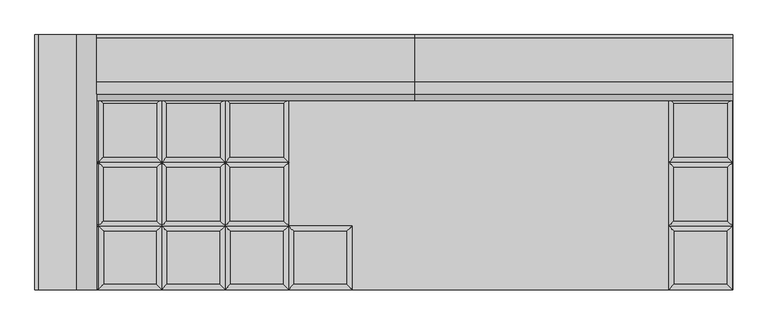
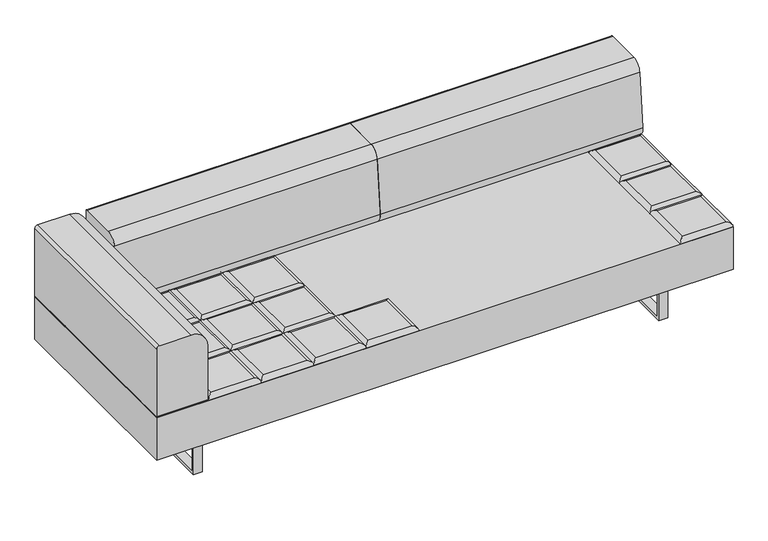
"""IFC4 building model written with IfcOpenShell, lengths in millimetres: furniture geometry."""

from ifc_helpers import new_model, si_unit, point, frame, frame_2d, origin, place, context, project, spatial, polyline, circle_curve, ellipse_curve, trimmed, segment, composite_curve, outline, extrude, source, transform, mapped, element, save
from ifc_brep_helpers import plane_surface, cylinder_surface, advanced_brep


def furniture_67f682a6(model_context):
    return source(origin(), model_context, "Body", "SolidModel", [
        advanced_brep(
        [(-109.855, -222.25, 393.7), (-127.8155122, -240.2105122, 411.6605122), (-127.8155122, -426.5394878, 411.6605122), (-109.855, -444.5, 393.7), (-314.1444878, -426.5394878, 411.6605122), (-332.105, -444.5, 393.7), (-314.1444878, -240.2105122, 411.6605122), (-332.105, -222.25, 393.7)],
        [
            (0, 1, ellipse_curve(frame((-127.8155122, -240.2105122, 393.7), z_axis=(0.7071067811865475, -0.7071067811865475, 0.0), x_axis=(0.7071067811865474, 0.7071067811865476, 0.0)), 25.4, 17.9605122)),
            (1, 2),
            (2, 3, ellipse_curve(frame((-127.8155122, -426.5394878, 393.7), z_axis=(0.7071067811865475, 0.7071067811865475, 0.0), x_axis=(-0.7071067811865474, 0.7071067811865476, 0.0)), 25.4, 17.9605122)),
            (3, 0),
            (2, 4),
            (4, 5, ellipse_curve(frame((-314.1444878, -426.5394878, 393.7), z_axis=(0.7071067811865475, -0.7071067811865475, 0.0), x_axis=(0.7071067811865476, 0.7071067811865474, 0.0)), 25.4, 17.9605122)),
            (5, 3),
            (4, 6),
            (6, 7, ellipse_curve(frame((-314.1444878, -240.2105122, 393.7), z_axis=(-0.7071067811865475, -0.7071067811865475, 0.0), x_axis=(0.7071067811865474, -0.7071067811865476, 0.0)), 25.4, 17.9605122)),
            (7, 5),
            (0, 7),
            (6, 1),
        ],
        [
            cylinder_surface(frame((-127.8155122, -222.25, 393.7), z_axis=(0.0, 1.0, 0.0), x_axis=(1.0, 0.0, 0.0)), 17.9605122),
            cylinder_surface(frame((-109.855, -426.5394878, 393.7), z_axis=(1.0, 0.0, 0.0), x_axis=(0.0, -1.0, 0.0)), 17.9605122),
            cylinder_surface(frame((-314.1444878, -444.5, 393.7), z_axis=(0.0, -1.0, 0.0), x_axis=(-1.0, 0.0, 0.0)), 17.9605122),
            cylinder_surface(frame((-332.105, -240.2105122, 393.7), z_axis=(-1.0, 0.0, 0.0), x_axis=(0.0, 1.0, 0.0)), 17.9605122),
            plane_surface(frame((-332.105, -222.25, 393.7), z_axis=(0.0, 0.0, -1.0), x_axis=(1.0, 0.0, 0.0))),
            plane_surface(frame((-314.1444878, -240.2105122, 411.6605122), z_axis=(0.0, 0.0, 1.0), x_axis=(-1.0, 0.0, 0.0))),
        ],
        [
            (0, [[1, 2, 3, 4]]),
            (1, [[-3, 5, 6, 7]]),
            (2, [[-6, 8, 9, 10]]),
            (3, [[-1, 11, -9, 12]]),
            (4, [[-4, -7, -10, -11]]),
            (5, [[-2, -12, -8, -5]]),
        ],
    ),
        advanced_brep(
        [(-348.7955122, -204.2894878, 411.6605122), (-348.7955122, -17.9605122, 411.6605122), (-535.1244878, -17.9605122, 411.6605122), (-535.1244878, -204.2894878, 411.6605122), (-330.835, 0.0, 393.7), (-330.835, -222.25, 393.7), (-553.085, -222.25, 393.7), (-553.085, 0.0, 393.7)],
        [
            (0, 1),
            (1, 2),
            (2, 3),
            (3, 0),
            (4, 5),
            (5, 6),
            (6, 7),
            (7, 4),
            (4, 1, ellipse_curve(frame((-348.7955122, -17.9605122, 393.7), z_axis=(0.7071067811865475, -0.7071067811865475, 0.0), x_axis=(0.7071067811865474, 0.7071067811865476, 0.0)), 25.4, 17.9605122)),
            (0, 5, ellipse_curve(frame((-348.7955122, -204.2894878, 393.7), z_axis=(0.7071067811865475, 0.7071067811865475, 0.0), x_axis=(-0.7071067811865474, 0.7071067811865476, 0.0)), 25.4, 17.9605122)),
            (3, 6, ellipse_curve(frame((-535.1244878, -204.2894878, 393.7), z_axis=(0.7071067811865475, -0.7071067811865475, 0.0), x_axis=(0.7071067811865476, 0.7071067811865474, 0.0)), 25.4, 17.9605122)),
            (2, 7, ellipse_curve(frame((-535.1244878, -17.9605122, 393.7), z_axis=(-0.7071067811865475, -0.7071067811865475, 0.0), x_axis=(0.7071067811865474, -0.7071067811865476, 0.0)), 25.4, 17.9605122)),
        ],
        [
            plane_surface(frame((-535.1244878, -17.9605122, 411.6605122), z_axis=(0.0, 0.0, 1.0), x_axis=(-1.0, 0.0, 0.0))),
            plane_surface(frame((-535.1244878, -17.9605122, 393.7), z_axis=(0.0, 0.0, -1.0), x_axis=(1.0, 0.0, 0.0))),
            cylinder_surface(frame((-348.7955122, 0.0, 393.7), z_axis=(0.0, 1.0, 0.0), x_axis=(1.0, 0.0, 0.0)), 17.9605122),
            cylinder_surface(frame((-330.835, -204.2894878, 393.7), z_axis=(1.0, 0.0, 0.0), x_axis=(0.0, -1.0, 0.0)), 17.9605122),
            cylinder_surface(frame((-535.1244878, -222.25, 393.7), z_axis=(0.0, -1.0, 0.0), x_axis=(-1.0, 0.0, 0.0)), 17.9605122),
            cylinder_surface(frame((-553.085, -17.9605122, 393.7), z_axis=(-1.0, 0.0, 0.0), x_axis=(0.0, 1.0, 0.0)), 17.9605122),
        ],
        [
            (0, [[1, 2, 3, 4]]),
            (1, [[5, 6, 7, 8]]),
            (2, [[9, -1, 10, -5]]),
            (3, [[-10, -4, 11, -6]]),
            (4, [[-11, -3, 12, -7]]),
            (5, [[-9, -8, -12, -2]]),
        ],
    ),
        advanced_brep(
        [(-348.7955122, 17.9605122, 411.6605122), (-348.7955122, 204.2894878, 411.6605122), (-535.1244878, 204.2894878, 411.6605122), (-535.1244878, 17.9605122, 411.6605122), (-330.835, 222.25, 393.7), (-330.835, 0.0, 393.7), (-553.085, 0.0, 393.7), (-553.085, 222.25, 393.7)],
        [
            (0, 1),
            (1, 2),
            (2, 3),
            (3, 0),
            (4, 5),
            (5, 6),
            (6, 7),
            (7, 4),
            (4, 1, ellipse_curve(frame((-348.7955122, 204.2894878, 393.7), z_axis=(0.7071067811865475, -0.7071067811865475, 0.0), x_axis=(0.7071067811865474, 0.7071067811865476, 0.0)), 25.4, 17.9605122)),
            (0, 5, ellipse_curve(frame((-348.7955122, 17.9605122, 393.7), z_axis=(0.7071067811865475, 0.7071067811865475, 0.0), x_axis=(-0.7071067811865474, 0.7071067811865476, 0.0)), 25.4, 17.9605122)),
            (3, 6, ellipse_curve(frame((-535.1244878, 17.9605122, 393.7), z_axis=(0.7071067811865475, -0.7071067811865475, 0.0), x_axis=(0.7071067811865476, 0.7071067811865474, 0.0)), 25.4, 17.9605122)),
            (2, 7, ellipse_curve(frame((-535.1244878, 204.2894878, 393.7), z_axis=(-0.7071067811865475, -0.7071067811865475, 0.0), x_axis=(0.7071067811865474, -0.7071067811865476, 0.0)), 25.4, 17.9605122)),
        ],
        [
            plane_surface(frame((-535.1244878, 204.2894878, 411.6605122), z_axis=(0.0, 0.0, 1.0), x_axis=(-1.0, 0.0, 0.0))),
            plane_surface(frame((-535.1244878, 204.2894878, 393.7), z_axis=(0.0, 0.0, -1.0), x_axis=(1.0, 0.0, 0.0))),
            cylinder_surface(frame((-348.7955122, 222.25, 393.7), z_axis=(0.0, 1.0, 0.0), x_axis=(1.0, 0.0, 0.0)), 17.9605122),
            cylinder_surface(frame((-330.835, 17.9605122, 393.7), z_axis=(1.0, 0.0, 0.0), x_axis=(0.0, -1.0, 0.0)), 17.9605122),
            cylinder_surface(frame((-535.1244878, 0.0, 393.7), z_axis=(0.0, -1.0, 0.0), x_axis=(-1.0, 0.0, 0.0)), 17.9605122),
            cylinder_surface(frame((-553.085, 204.2894878, 393.7), z_axis=(-1.0, 0.0, 0.0), x_axis=(0.0, 1.0, 0.0)), 17.9605122),
        ],
        [
            (0, [[1, 2, 3, 4]]),
            (1, [[5, 6, 7, 8]]),
            (2, [[9, -1, 10, -5]]),
            (3, [[-10, -4, 11, -6]]),
            (4, [[-11, -3, 12, -7]]),
            (5, [[-9, -8, -12, -2]]),
        ],
    ),
        advanced_brep(
        [(-348.7955122, 240.2105122, 411.6605122), (-348.7955122, 426.5394878, 411.6605122), (-535.1244878, 426.5394878, 411.6605122), (-535.1244878, 240.2105122, 411.6605122), (-330.835, 444.5, 393.7), (-330.835, 222.25, 393.7), (-553.085, 222.25, 393.7), (-553.085, 444.5, 393.7)],
        [
            (0, 1),
            (1, 2),
            (2, 3),
            (3, 0),
            (4, 5),
            (5, 6),
            (6, 7),
            (7, 4),
            (4, 1, ellipse_curve(frame((-348.7955122, 426.5394878, 393.7), z_axis=(0.7071067811865475, -0.7071067811865475, 0.0), x_axis=(0.7071067811865474, 0.7071067811865476, 0.0)), 25.4, 17.9605122)),
            (0, 5, ellipse_curve(frame((-348.7955122, 240.2105122, 393.7), z_axis=(0.7071067811865475, 0.7071067811865475, 0.0), x_axis=(-0.7071067811865474, 0.7071067811865476, 0.0)), 25.4, 17.9605122)),
            (3, 6, ellipse_curve(frame((-535.1244878, 240.2105122, 393.7), z_axis=(0.7071067811865475, -0.7071067811865475, 0.0), x_axis=(0.7071067811865476, 0.7071067811865474, 0.0)), 25.4, 17.9605122)),
            (2, 7, ellipse_curve(frame((-535.1244878, 426.5394878, 393.7), z_axis=(-0.7071067811865475, -0.7071067811865475, 0.0), x_axis=(0.7071067811865474, -0.7071067811865476, 0.0)), 25.4, 17.9605122)),
        ],
        [
            plane_surface(frame((-535.1244878, 426.5394878, 411.6605122), z_axis=(0.0, 0.0, 1.0), x_axis=(-1.0, 0.0, 0.0))),
            plane_surface(frame((-535.1244878, 426.5394878, 393.7), z_axis=(0.0, 0.0, -1.0), x_axis=(1.0, 0.0, 0.0))),
            cylinder_surface(frame((-348.7955122, 444.5, 393.7), z_axis=(0.0, 1.0, 0.0), x_axis=(1.0, 0.0, 0.0)), 17.9605122),
            cylinder_surface(frame((-330.835, 240.2105122, 393.7), z_axis=(1.0, 0.0, 0.0), x_axis=(0.0, -1.0, 0.0)), 17.9605122),
            cylinder_surface(frame((-535.1244878, 222.25, 393.7), z_axis=(0.0, -1.0, 0.0), x_axis=(-1.0, 0.0, 0.0)), 17.9605122),
            cylinder_surface(frame((-553.085, 426.5394878, 393.7), z_axis=(-1.0, 0.0, 0.0), x_axis=(0.0, 1.0, 0.0)), 17.9605122),
        ],
        [
            (0, [[1, 2, 3, 4]]),
            (1, [[5, 6, 7, 8]]),
            (2, [[9, -1, 10, -5]]),
            (3, [[-10, -4, 11, -6]]),
            (4, [[-11, -3, 12, -7]]),
            (5, [[-9, -8, -12, -2]]),
        ],
    ),
        advanced_brep(
        [(-330.835, -222.25, 393.7), (-348.7955122, -240.2105122, 411.6605122), (-348.7955122, -426.5394878, 411.6605122), (-330.835, -444.5, 393.7), (-535.1244878, -426.5394878, 411.6605122), (-553.085, -444.5, 393.7), (-535.1244878, -240.2105122, 411.6605122), (-553.085, -222.25, 393.7)],
        [
            (0, 1, ellipse_curve(frame((-348.7955122, -240.2105122, 393.7), z_axis=(0.7071067811865475, -0.7071067811865475, 0.0), x_axis=(0.7071067811865474, 0.7071067811865476, 0.0)), 25.4, 17.9605122)),
            (1, 2),
            (2, 3, ellipse_curve(frame((-348.7955122, -426.5394878, 393.7), z_axis=(0.7071067811865475, 0.7071067811865475, 0.0), x_axis=(-0.7071067811865474, 0.7071067811865476, 0.0)), 25.4, 17.9605122)),
            (3, 0),
            (2, 4),
            (4, 5, ellipse_curve(frame((-535.1244878, -426.5394878, 393.7), z_axis=(0.7071067811865475, -0.7071067811865475, 0.0), x_axis=(0.7071067811865476, 0.7071067811865474, 0.0)), 25.4, 17.9605122)),
            (5, 3),
            (4, 6),
            (6, 7, ellipse_curve(frame((-535.1244878, -240.2105122, 393.7), z_axis=(-0.7071067811865475, -0.7071067811865475, 0.0), x_axis=(0.7071067811865474, -0.7071067811865476, 0.0)), 25.4, 17.9605122)),
            (7, 5),
            (0, 7),
            (6, 1),
        ],
        [
            cylinder_surface(frame((-348.7955122, -222.25, 393.7), z_axis=(0.0, 1.0, 0.0), x_axis=(1.0, 0.0, 0.0)), 17.9605122),
            cylinder_surface(frame((-330.835, -426.5394878, 393.7), z_axis=(1.0, 0.0, 0.0), x_axis=(0.0, -1.0, 0.0)), 17.9605122),
            cylinder_surface(frame((-535.1244878, -444.5, 393.7), z_axis=(0.0, -1.0, 0.0), x_axis=(-1.0, 0.0, 0.0)), 17.9605122),
            cylinder_surface(frame((-553.085, -240.2105122, 393.7), z_axis=(-1.0, 0.0, 0.0), x_axis=(0.0, 1.0, 0.0)), 17.9605122),
            plane_surface(frame((-553.085, -222.25, 393.7), z_axis=(0.0, 0.0, -1.0), x_axis=(1.0, 0.0, 0.0))),
            plane_surface(frame((-535.1244878, -240.2105122, 411.6605122), z_axis=(0.0, 0.0, 1.0), x_axis=(-1.0, 0.0, 0.0))),
        ],
        [
            (0, [[1, 2, 3, 4]]),
            (1, [[-3, 5, 6, 7]]),
            (2, [[-6, 8, 9, 10]]),
            (3, [[-1, 11, -9, 12]]),
            (4, [[-4, -7, -10, -11]]),
            (5, [[-2, -12, -8, -5]]),
        ],
    ),
        advanced_brep(
        [(-569.7755122, -204.2894878, 411.6605122), (-569.7755122, -17.9605122, 411.6605122), (-756.1044878, -17.9605122, 411.6605122), (-756.1044878, -204.2894878, 411.6605122), (-551.815, 0.0, 393.7), (-551.815, -222.25, 393.7), (-774.065, -222.25, 393.7), (-774.065, 0.0, 393.7)],
        [
            (0, 1),
            (1, 2),
            (2, 3),
            (3, 0),
            (4, 5),
            (5, 6),
            (6, 7),
            (7, 4),
            (4, 1, ellipse_curve(frame((-569.7755122, -17.9605122, 393.7), z_axis=(0.7071067811865475, -0.7071067811865475, 0.0), x_axis=(0.7071067811865474, 0.7071067811865476, 0.0)), 25.4, 17.9605122)),
            (0, 5, ellipse_curve(frame((-569.7755122, -204.2894878, 393.7), z_axis=(0.7071067811865475, 0.7071067811865475, 0.0), x_axis=(-0.7071067811865474, 0.7071067811865476, 0.0)), 25.4, 17.9605122)),
            (3, 6, ellipse_curve(frame((-756.1044878, -204.2894878, 393.7), z_axis=(0.7071067811865475, -0.7071067811865475, 0.0), x_axis=(0.7071067811865476, 0.7071067811865474, 0.0)), 25.4, 17.9605122)),
            (2, 7, ellipse_curve(frame((-756.1044878, -17.9605122, 393.7), z_axis=(-0.7071067811865475, -0.7071067811865475, 0.0), x_axis=(0.7071067811865474, -0.7071067811865476, 0.0)), 25.4, 17.9605122)),
        ],
        [
            plane_surface(frame((-756.1044878, -17.9605122, 411.6605122), z_axis=(0.0, 0.0, 1.0), x_axis=(-1.0, 0.0, 0.0))),
            plane_surface(frame((-756.1044878, -17.9605122, 393.7), z_axis=(0.0, 0.0, -1.0), x_axis=(1.0, 0.0, 0.0))),
            cylinder_surface(frame((-569.7755122, 0.0, 393.7), z_axis=(0.0, 1.0, 0.0), x_axis=(1.0, 0.0, 0.0)), 17.9605122),
            cylinder_surface(frame((-551.815, -204.2894878, 393.7), z_axis=(1.0, 0.0, 0.0), x_axis=(0.0, -1.0, 0.0)), 17.9605122),
            cylinder_surface(frame((-756.1044878, -222.25, 393.7), z_axis=(0.0, -1.0, 0.0), x_axis=(-1.0, 0.0, 0.0)), 17.9605122),
            cylinder_surface(frame((-774.065, -17.9605122, 393.7), z_axis=(-1.0, 0.0, 0.0), x_axis=(0.0, 1.0, 0.0)), 17.9605122),
        ],
        [
            (0, [[1, 2, 3, 4]]),
            (1, [[5, 6, 7, 8]]),
            (2, [[9, -1, 10, -5]]),
            (3, [[-10, -4, 11, -6]]),
            (4, [[-11, -3, 12, -7]]),
            (5, [[-9, -8, -12, -2]]),
        ],
    ),
        advanced_brep(
        [(-569.7755122, 17.9605122, 411.6605122), (-569.7755122, 204.2894878, 411.6605122), (-756.1044878, 204.2894878, 411.6605122), (-756.1044878, 17.9605122, 411.6605122), (-551.815, 222.25, 393.7), (-551.815, 0.0, 393.7), (-774.065, 0.0, 393.7), (-774.065, 222.25, 393.7)],
        [
            (0, 1),
            (1, 2),
            (2, 3),
            (3, 0),
            (4, 5),
            (5, 6),
            (6, 7),
            (7, 4),
            (4, 1, ellipse_curve(frame((-569.7755122, 204.2894878, 393.7), z_axis=(0.7071067811865475, -0.7071067811865475, 0.0), x_axis=(0.7071067811865474, 0.7071067811865476, 0.0)), 25.4, 17.9605122)),
            (0, 5, ellipse_curve(frame((-569.7755122, 17.9605122, 393.7), z_axis=(0.7071067811865475, 0.7071067811865475, 0.0), x_axis=(-0.7071067811865474, 0.7071067811865476, 0.0)), 25.4, 17.9605122)),
            (3, 6, ellipse_curve(frame((-756.1044878, 17.9605122, 393.7), z_axis=(0.7071067811865475, -0.7071067811865475, 0.0), x_axis=(0.7071067811865476, 0.7071067811865474, 0.0)), 25.4, 17.9605122)),
            (2, 7, ellipse_curve(frame((-756.1044878, 204.2894878, 393.7), z_axis=(-0.7071067811865475, -0.7071067811865475, 0.0), x_axis=(0.7071067811865474, -0.7071067811865476, 0.0)), 25.4, 17.9605122)),
        ],
        [
            plane_surface(frame((-756.1044878, 204.2894878, 411.6605122), z_axis=(0.0, 0.0, 1.0), x_axis=(-1.0, 0.0, 0.0))),
            plane_surface(frame((-756.1044878, 204.2894878, 393.7), z_axis=(0.0, 0.0, -1.0), x_axis=(1.0, 0.0, 0.0))),
            cylinder_surface(frame((-569.7755122, 222.25, 393.7), z_axis=(0.0, 1.0, 0.0), x_axis=(1.0, 0.0, 0.0)), 17.9605122),
            cylinder_surface(frame((-551.815, 17.9605122, 393.7), z_axis=(1.0, 0.0, 0.0), x_axis=(0.0, -1.0, 0.0)), 17.9605122),
            cylinder_surface(frame((-756.1044878, 0.0, 393.7), z_axis=(0.0, -1.0, 0.0), x_axis=(-1.0, 0.0, 0.0)), 17.9605122),
            cylinder_surface(frame((-774.065, 204.2894878, 393.7), z_axis=(-1.0, 0.0, 0.0), x_axis=(0.0, 1.0, 0.0)), 17.9605122),
        ],
        [
            (0, [[1, 2, 3, 4]]),
            (1, [[5, 6, 7, 8]]),
            (2, [[9, -1, 10, -5]]),
            (3, [[-10, -4, 11, -6]]),
            (4, [[-11, -3, 12, -7]]),
            (5, [[-9, -8, -12, -2]]),
        ],
    ),
        advanced_brep(
        [(-569.7755122, 240.2105122, 411.6605122), (-569.7755122, 426.5394878, 411.6605122), (-756.1044878, 426.5394878, 411.6605122), (-756.1044878, 240.2105122, 411.6605122), (-551.815, 444.5, 393.7), (-551.815, 222.25, 393.7), (-774.065, 222.25, 393.7), (-774.065, 444.5, 393.7)],
        [
            (0, 1),
            (1, 2),
            (2, 3),
            (3, 0),
            (4, 5),
            (5, 6),
            (6, 7),
            (7, 4),
            (4, 1, ellipse_curve(frame((-569.7755122, 426.5394878, 393.7), z_axis=(0.7071067811865475, -0.7071067811865475, 0.0), x_axis=(0.7071067811865474, 0.7071067811865476, 0.0)), 25.4, 17.9605122)),
            (0, 5, ellipse_curve(frame((-569.7755122, 240.2105122, 393.7), z_axis=(0.7071067811865475, 0.7071067811865475, 0.0), x_axis=(-0.7071067811865474, 0.7071067811865476, 0.0)), 25.4, 17.9605122)),
            (3, 6, ellipse_curve(frame((-756.1044878, 240.2105122, 393.7), z_axis=(0.7071067811865475, -0.7071067811865475, 0.0), x_axis=(0.7071067811865476, 0.7071067811865474, 0.0)), 25.4, 17.9605122)),
            (2, 7, ellipse_curve(frame((-756.1044878, 426.5394878, 393.7), z_axis=(-0.7071067811865475, -0.7071067811865475, 0.0), x_axis=(0.7071067811865474, -0.7071067811865476, 0.0)), 25.4, 17.9605122)),
        ],
        [
            plane_surface(frame((-756.1044878, 426.5394878, 411.6605122), z_axis=(0.0, 0.0, 1.0), x_axis=(-1.0, 0.0, 0.0))),
            plane_surface(frame((-756.1044878, 426.5394878, 393.7), z_axis=(0.0, 0.0, -1.0), x_axis=(1.0, 0.0, 0.0))),
            cylinder_surface(frame((-569.7755122, 444.5, 393.7), z_axis=(0.0, 1.0, 0.0), x_axis=(1.0, 0.0, 0.0)), 17.9605122),
            cylinder_surface(frame((-551.815, 240.2105122, 393.7), z_axis=(1.0, 0.0, 0.0), x_axis=(0.0, -1.0, 0.0)), 17.9605122),
            cylinder_surface(frame((-756.1044878, 222.25, 393.7), z_axis=(0.0, -1.0, 0.0), x_axis=(-1.0, 0.0, 0.0)), 17.9605122),
            cylinder_surface(frame((-774.065, 426.5394878, 393.7), z_axis=(-1.0, 0.0, 0.0), x_axis=(0.0, 1.0, 0.0)), 17.9605122),
        ],
        [
            (0, [[1, 2, 3, 4]]),
            (1, [[5, 6, 7, 8]]),
            (2, [[9, -1, 10, -5]]),
            (3, [[-10, -4, 11, -6]]),
            (4, [[-11, -3, 12, -7]]),
            (5, [[-9, -8, -12, -2]]),
        ],
    ),
        advanced_brep(
        [(-551.815, -222.25, 393.7), (-569.7755122, -240.2105122, 411.6605122), (-569.7755122, -426.5394878, 411.6605122), (-551.815, -444.5, 393.7), (-756.1044878, -426.5394878, 411.6605122), (-774.065, -444.5, 393.7), (-756.1044878, -240.2105122, 411.6605122), (-774.065, -222.25, 393.7)],
        [
            (0, 1, ellipse_curve(frame((-569.7755122, -240.2105122, 393.7), z_axis=(0.7071067811865475, -0.7071067811865475, 0.0), x_axis=(0.7071067811865474, 0.7071067811865476, 0.0)), 25.4, 17.9605122)),
            (1, 2),
            (2, 3, ellipse_curve(frame((-569.7755122, -426.5394878, 393.7), z_axis=(0.7071067811865475, 0.7071067811865475, 0.0), x_axis=(-0.7071067811865474, 0.7071067811865476, 0.0)), 25.4, 17.9605122)),
            (3, 0),
            (2, 4),
            (4, 5, ellipse_curve(frame((-756.1044878, -426.5394878, 393.7), z_axis=(0.7071067811865475, -0.7071067811865475, 0.0), x_axis=(0.7071067811865476, 0.7071067811865474, 0.0)), 25.4, 17.9605122)),
            (5, 3),
            (4, 6),
            (6, 7, ellipse_curve(frame((-756.1044878, -240.2105122, 393.7), z_axis=(-0.7071067811865475, -0.7071067811865475, 0.0), x_axis=(0.7071067811865474, -0.7071067811865476, 0.0)), 25.4, 17.9605122)),
            (7, 5),
            (0, 7),
            (6, 1),
        ],
        [
            cylinder_surface(frame((-569.7755122, -222.25, 393.7), z_axis=(0.0, 1.0, 0.0), x_axis=(1.0, 0.0, 0.0)), 17.9605122),
            cylinder_surface(frame((-551.815, -426.5394878, 393.7), z_axis=(1.0, 0.0, 0.0), x_axis=(0.0, -1.0, 0.0)), 17.9605122),
            cylinder_surface(frame((-756.1044878, -444.5, 393.7), z_axis=(0.0, -1.0, 0.0), x_axis=(-1.0, 0.0, 0.0)), 17.9605122),
            cylinder_surface(frame((-774.065, -240.2105122, 393.7), z_axis=(-1.0, 0.0, 0.0), x_axis=(0.0, 1.0, 0.0)), 17.9605122),
            plane_surface(frame((-774.065, -222.25, 393.7), z_axis=(0.0, 0.0, -1.0), x_axis=(1.0, 0.0, 0.0))),
            plane_surface(frame((-756.1044878, -240.2105122, 411.6605122), z_axis=(0.0, 0.0, 1.0), x_axis=(-1.0, 0.0, 0.0))),
        ],
        [
            (0, [[1, 2, 3, 4]]),
            (1, [[-3, 5, 6, 7]]),
            (2, [[-6, 8, 9, 10]]),
            (3, [[-1, 11, -9, 12]]),
            (4, [[-4, -7, -10, -11]]),
            (5, [[-2, -12, -8, -5]]),
        ],
    ),
        advanced_brep(
        [(-790.7555122, -204.2894878, 411.6605122), (-790.7555122, -17.9605122, 411.6605122), (-977.0844878, -17.9605122, 411.6605122), (-977.0844878, -204.2894878, 411.6605122), (-772.795, 0.0, 393.7), (-772.795, -222.25, 393.7), (-995.045, -222.25, 393.7), (-995.045, 0.0, 393.7)],
        [
            (0, 1),
            (1, 2),
            (2, 3),
            (3, 0),
            (4, 5),
            (5, 6),
            (6, 7),
            (7, 4),
            (4, 1, ellipse_curve(frame((-790.7555122, -17.9605122, 393.7), z_axis=(0.7071067811865475, -0.7071067811865475, 0.0), x_axis=(0.7071067811865474, 0.7071067811865476, 0.0)), 25.4, 17.9605122)),
            (0, 5, ellipse_curve(frame((-790.7555122, -204.2894878, 393.7), z_axis=(0.7071067811865475, 0.7071067811865475, 0.0), x_axis=(-0.7071067811865474, 0.7071067811865476, 0.0)), 25.4, 17.9605122)),
            (3, 6, ellipse_curve(frame((-977.0844878, -204.2894878, 393.7), z_axis=(0.7071067811865475, -0.7071067811865475, 0.0), x_axis=(0.7071067811865476, 0.7071067811865474, 0.0)), 25.4, 17.9605122)),
            (2, 7, ellipse_curve(frame((-977.0844878, -17.9605122, 393.7), z_axis=(-0.7071067811865475, -0.7071067811865475, 0.0), x_axis=(0.7071067811865474, -0.7071067811865476, 0.0)), 25.4, 17.9605122)),
        ],
        [
            plane_surface(frame((-977.0844878, -17.9605122, 411.6605122), z_axis=(0.0, 0.0, 1.0), x_axis=(-1.0, 0.0, 0.0))),
            plane_surface(frame((-977.0844878, -17.9605122, 393.7), z_axis=(0.0, 0.0, -1.0), x_axis=(1.0, 0.0, 0.0))),
            cylinder_surface(frame((-790.7555122, 0.0, 393.7), z_axis=(0.0, 1.0, 0.0), x_axis=(1.0, 0.0, 0.0)), 17.9605122),
            cylinder_surface(frame((-772.795, -204.2894878, 393.7), z_axis=(1.0, 0.0, 0.0), x_axis=(0.0, -1.0, 0.0)), 17.9605122),
            cylinder_surface(frame((-977.0844878, -222.25, 393.7), z_axis=(0.0, -1.0, 0.0), x_axis=(-1.0, 0.0, 0.0)), 17.9605122),
            cylinder_surface(frame((-995.045, -17.9605122, 393.7), z_axis=(-1.0, 0.0, 0.0), x_axis=(0.0, 1.0, 0.0)), 17.9605122),
        ],
        [
            (0, [[1, 2, 3, 4]]),
            (1, [[5, 6, 7, 8]]),
            (2, [[9, -1, 10, -5]]),
            (3, [[-10, -4, 11, -6]]),
            (4, [[-11, -3, 12, -7]]),
            (5, [[-9, -8, -12, -2]]),
        ],
    ),
        advanced_brep(
        [(-790.7555122, 17.9605122, 411.6605122), (-790.7555122, 204.2894878, 411.6605122), (-977.0844878, 204.2894878, 411.6605122), (-977.0844878, 17.9605122, 411.6605122), (-772.795, 222.25, 393.7), (-772.795, 0.0, 393.7), (-995.045, 0.0, 393.7), (-995.045, 222.25, 393.7)],
        [
            (0, 1),
            (1, 2),
            (2, 3),
            (3, 0),
            (4, 5),
            (5, 6),
            (6, 7),
            (7, 4),
            (4, 1, ellipse_curve(frame((-790.7555122, 204.2894878, 393.7), z_axis=(0.7071067811865475, -0.7071067811865475, 0.0), x_axis=(0.7071067811865474, 0.7071067811865476, 0.0)), 25.4, 17.9605122)),
            (0, 5, ellipse_curve(frame((-790.7555122, 17.9605122, 393.7), z_axis=(0.7071067811865475, 0.7071067811865475, 0.0), x_axis=(-0.7071067811865474, 0.7071067811865476, 0.0)), 25.4, 17.9605122)),
            (3, 6, ellipse_curve(frame((-977.0844878, 17.9605122, 393.7), z_axis=(0.7071067811865475, -0.7071067811865475, 0.0), x_axis=(0.7071067811865476, 0.7071067811865474, 0.0)), 25.4, 17.9605122)),
            (2, 7, ellipse_curve(frame((-977.0844878, 204.2894878, 393.7), z_axis=(-0.7071067811865475, -0.7071067811865475, 0.0), x_axis=(0.7071067811865474, -0.7071067811865476, 0.0)), 25.4, 17.9605122)),
        ],
        [
            plane_surface(frame((-977.0844878, 204.2894878, 411.6605122), z_axis=(0.0, 0.0, 1.0), x_axis=(-1.0, 0.0, 0.0))),
            plane_surface(frame((-977.0844878, 204.2894878, 393.7), z_axis=(0.0, 0.0, -1.0), x_axis=(1.0, 0.0, 0.0))),
            cylinder_surface(frame((-790.7555122, 222.25, 393.7), z_axis=(0.0, 1.0, 0.0), x_axis=(1.0, 0.0, 0.0)), 17.9605122),
            cylinder_surface(frame((-772.795, 17.9605122, 393.7), z_axis=(1.0, 0.0, 0.0), x_axis=(0.0, -1.0, 0.0)), 17.9605122),
            cylinder_surface(frame((-977.0844878, 0.0, 393.7), z_axis=(0.0, -1.0, 0.0), x_axis=(-1.0, 0.0, 0.0)), 17.9605122),
            cylinder_surface(frame((-995.045, 204.2894878, 393.7), z_axis=(-1.0, 0.0, 0.0), x_axis=(0.0, 1.0, 0.0)), 17.9605122),
        ],
        [
            (0, [[1, 2, 3, 4]]),
            (1, [[5, 6, 7, 8]]),
            (2, [[9, -1, 10, -5]]),
            (3, [[-10, -4, 11, -6]]),
            (4, [[-11, -3, 12, -7]]),
            (5, [[-9, -8, -12, -2]]),
        ],
    ),
        advanced_brep(
        [(-790.7555122, 240.2105122, 411.6605122), (-790.7555122, 426.5394878, 411.6605122), (-977.0844878, 426.5394878, 411.6605122), (-977.0844878, 240.2105122, 411.6605122), (-772.795, 444.5, 393.7), (-772.795, 222.25, 393.7), (-995.045, 222.25, 393.7), (-995.045, 444.5, 393.7)],
        [
            (0, 1),
            (1, 2),
            (2, 3),
            (3, 0),
            (4, 5),
            (5, 6),
            (6, 7),
            (7, 4),
            (4, 1, ellipse_curve(frame((-790.7555122, 426.5394878, 393.7), z_axis=(0.7071067811865475, -0.7071067811865475, 0.0), x_axis=(0.7071067811865474, 0.7071067811865476, 0.0)), 25.4, 17.9605122)),
            (0, 5, ellipse_curve(frame((-790.7555122, 240.2105122, 393.7), z_axis=(0.7071067811865475, 0.7071067811865475, 0.0), x_axis=(-0.7071067811865474, 0.7071067811865476, 0.0)), 25.4, 17.9605122)),
            (3, 6, ellipse_curve(frame((-977.0844878, 240.2105122, 393.7), z_axis=(0.7071067811865475, -0.7071067811865475, 0.0), x_axis=(0.7071067811865476, 0.7071067811865474, 0.0)), 25.4, 17.9605122)),
            (2, 7, ellipse_curve(frame((-977.0844878, 426.5394878, 393.7), z_axis=(-0.7071067811865475, -0.7071067811865475, 0.0), x_axis=(0.7071067811865474, -0.7071067811865476, 0.0)), 25.4, 17.9605122)),
        ],
        [
            plane_surface(frame((-977.0844878, 426.5394878, 411.6605122), z_axis=(0.0, 0.0, 1.0), x_axis=(-1.0, 0.0, 0.0))),
            plane_surface(frame((-977.0844878, 426.5394878, 393.7), z_axis=(0.0, 0.0, -1.0), x_axis=(1.0, 0.0, 0.0))),
            cylinder_surface(frame((-790.7555122, 444.5, 393.7), z_axis=(0.0, 1.0, 0.0), x_axis=(1.0, 0.0, 0.0)), 17.9605122),
            cylinder_surface(frame((-772.795, 240.2105122, 393.7), z_axis=(1.0, 0.0, 0.0), x_axis=(0.0, -1.0, 0.0)), 17.9605122),
            cylinder_surface(frame((-977.0844878, 222.25, 393.7), z_axis=(0.0, -1.0, 0.0), x_axis=(-1.0, 0.0, 0.0)), 17.9605122),
            cylinder_surface(frame((-995.045, 426.5394878, 393.7), z_axis=(-1.0, 0.0, 0.0), x_axis=(0.0, 1.0, 0.0)), 17.9605122),
        ],
        [
            (0, [[1, 2, 3, 4]]),
            (1, [[5, 6, 7, 8]]),
            (2, [[9, -1, 10, -5]]),
            (3, [[-10, -4, 11, -6]]),
            (4, [[-11, -3, 12, -7]]),
            (5, [[-9, -8, -12, -2]]),
        ],
    ),
        advanced_brep(
        [(-772.795, -222.25, 393.7), (-790.7555122, -240.2105122, 411.6605122), (-790.7555122, -426.5394878, 411.6605122), (-772.795, -444.5, 393.7), (-977.0844878, -426.5394878, 411.6605122), (-995.045, -444.5, 393.7), (-977.0844878, -240.2105122, 411.6605122), (-995.045, -222.25, 393.7)],
        [
            (0, 1, ellipse_curve(frame((-790.7555122, -240.2105122, 393.7), z_axis=(0.7071067811865475, -0.7071067811865475, 0.0), x_axis=(0.7071067811865474, 0.7071067811865476, 0.0)), 25.4, 17.9605122)),
            (1, 2),
            (2, 3, ellipse_curve(frame((-790.7555122, -426.5394878, 393.7), z_axis=(0.7071067811865475, 0.7071067811865475, 0.0), x_axis=(-0.7071067811865474, 0.7071067811865476, 0.0)), 25.4, 17.9605122)),
            (3, 0),
            (2, 4),
            (4, 5, ellipse_curve(frame((-977.0844878, -426.5394878, 393.7), z_axis=(0.7071067811865475, -0.7071067811865475, 0.0), x_axis=(0.7071067811865476, 0.7071067811865474, 0.0)), 25.4, 17.9605122)),
            (5, 3),
            (4, 6),
            (6, 7, ellipse_curve(frame((-977.0844878, -240.2105122, 393.7), z_axis=(-0.7071067811865475, -0.7071067811865475, 0.0), x_axis=(0.7071067811865474, -0.7071067811865476, 0.0)), 25.4, 17.9605122)),
            (7, 5),
            (0, 7),
            (6, 1),
        ],
        [
            cylinder_surface(frame((-790.7555122, -222.25, 393.7), z_axis=(0.0, 1.0, 0.0), x_axis=(1.0, 0.0, 0.0)), 17.9605122),
            cylinder_surface(frame((-772.795, -426.5394878, 393.7), z_axis=(1.0, 0.0, 0.0), x_axis=(0.0, -1.0, 0.0)), 17.9605122),
            cylinder_surface(frame((-977.0844878, -444.5, 393.7), z_axis=(0.0, -1.0, 0.0), x_axis=(-1.0, 0.0, 0.0)), 17.9605122),
            cylinder_surface(frame((-995.045, -240.2105122, 393.7), z_axis=(-1.0, 0.0, 0.0), x_axis=(0.0, 1.0, 0.0)), 17.9605122),
            plane_surface(frame((-995.045, -222.25, 393.7), z_axis=(0.0, 0.0, -1.0), x_axis=(1.0, 0.0, 0.0))),
            plane_surface(frame((-977.0844878, -240.2105122, 411.6605122), z_axis=(0.0, 0.0, 1.0), x_axis=(-1.0, 0.0, 0.0))),
        ],
        [
            (0, [[1, 2, 3, 4]]),
            (1, [[-3, 5, 6, 7]]),
            (2, [[-6, 8, 9, 10]]),
            (3, [[-1, 11, -9, 12]]),
            (4, [[-4, -7, -10, -11]]),
            (5, [[-2, -12, -8, -5]]),
        ],
    ),
        advanced_brep(
        [(1198.0644878, -204.2894878, 411.6605122), (1198.0644878, -17.9605122, 411.6605122), (1011.7355122, -17.9605122, 411.6605122), (1011.7355122, -204.2894878, 411.6605122), (1216.025, 0.0, 393.7), (1216.025, -222.25, 393.7), (993.775, -222.25, 393.7), (993.775, 0.0, 393.7)],
        [
            (0, 1),
            (1, 2),
            (2, 3),
            (3, 0),
            (4, 5),
            (5, 6),
            (6, 7),
            (7, 4),
            (4, 1, ellipse_curve(frame((1198.0644878, -17.9605122, 393.7), z_axis=(0.7071067811865475, -0.7071067811865475, 0.0), x_axis=(0.7071067811865474, 0.7071067811865476, 0.0)), 25.4, 17.9605122)),
            (0, 5, ellipse_curve(frame((1198.0644878, -204.2894878, 393.7), z_axis=(0.7071067811865475, 0.7071067811865475, 0.0), x_axis=(-0.7071067811865474, 0.7071067811865476, 0.0)), 25.4, 17.9605122)),
            (3, 6, ellipse_curve(frame((1011.7355122, -204.2894878, 393.7), z_axis=(0.7071067811865475, -0.7071067811865475, 0.0), x_axis=(0.7071067811865476, 0.7071067811865474, 0.0)), 25.4, 17.9605122)),
            (2, 7, ellipse_curve(frame((1011.7355122, -17.9605122, 393.7), z_axis=(-0.7071067811865475, -0.7071067811865475, 0.0), x_axis=(0.7071067811865474, -0.7071067811865476, 0.0)), 25.4, 17.9605122)),
        ],
        [
            plane_surface(frame((1011.7355122, -17.9605122, 411.6605122), z_axis=(0.0, 0.0, 1.0), x_axis=(-1.0, 0.0, 0.0))),
            plane_surface(frame((1011.7355122, -17.9605122, 393.7), z_axis=(0.0, 0.0, -1.0), x_axis=(1.0, 0.0, 0.0))),
            cylinder_surface(frame((1198.0644878, 0.0, 393.7), z_axis=(0.0, 1.0, 0.0), x_axis=(1.0, 0.0, 0.0)), 17.9605122),
            cylinder_surface(frame((1216.025, -204.2894878, 393.7), z_axis=(1.0, 0.0, 0.0), x_axis=(0.0, -1.0, 0.0)), 17.9605122),
            cylinder_surface(frame((1011.7355122, -222.25, 393.7), z_axis=(0.0, -1.0, 0.0), x_axis=(-1.0, 0.0, 0.0)), 17.9605122),
            cylinder_surface(frame((993.775, -17.9605122, 393.7), z_axis=(-1.0, 0.0, 0.0), x_axis=(0.0, 1.0, 0.0)), 17.9605122),
        ],
        [
            (0, [[1, 2, 3, 4]]),
            (1, [[5, 6, 7, 8]]),
            (2, [[9, -1, 10, -5]]),
            (3, [[-10, -4, 11, -6]]),
            (4, [[-11, -3, 12, -7]]),
            (5, [[-9, -8, -12, -2]]),
        ],
    ),
        advanced_brep(
        [(1198.0644878, 17.9605122, 411.6605122), (1198.0644878, 204.2894878, 411.6605122), (1011.7355122, 204.2894878, 411.6605122), (1011.7355122, 17.9605122, 411.6605122), (1216.025, 222.25, 393.7), (1216.025, 0.0, 393.7), (993.775, 0.0, 393.7), (993.775, 222.25, 393.7)],
        [
            (0, 1),
            (1, 2),
            (2, 3),
            (3, 0),
            (4, 5),
            (5, 6),
            (6, 7),
            (7, 4),
            (4, 1, ellipse_curve(frame((1198.0644878, 204.2894878, 393.7), z_axis=(0.7071067811865475, -0.7071067811865475, 0.0), x_axis=(0.7071067811865474, 0.7071067811865476, 0.0)), 25.4, 17.9605122)),
            (0, 5, ellipse_curve(frame((1198.0644878, 17.9605122, 393.7), z_axis=(0.7071067811865475, 0.7071067811865475, 0.0), x_axis=(-0.7071067811865474, 0.7071067811865476, 0.0)), 25.4, 17.9605122)),
            (3, 6, ellipse_curve(frame((1011.7355122, 17.9605122, 393.7), z_axis=(0.7071067811865475, -0.7071067811865475, 0.0), x_axis=(0.7071067811865476, 0.7071067811865474, 0.0)), 25.4, 17.9605122)),
            (2, 7, ellipse_curve(frame((1011.7355122, 204.2894878, 393.7), z_axis=(-0.7071067811865475, -0.7071067811865475, 0.0), x_axis=(0.7071067811865474, -0.7071067811865476, 0.0)), 25.4, 17.9605122)),
        ],
        [
            plane_surface(frame((1011.7355122, 204.2894878, 411.6605122), z_axis=(0.0, 0.0, 1.0), x_axis=(-1.0, 0.0, 0.0))),
            plane_surface(frame((1011.7355122, 204.2894878, 393.7), z_axis=(0.0, 0.0, -1.0), x_axis=(1.0, 0.0, 0.0))),
            cylinder_surface(frame((1198.0644878, 222.25, 393.7), z_axis=(0.0, 1.0, 0.0), x_axis=(1.0, 0.0, 0.0)), 17.9605122),
            cylinder_surface(frame((1216.025, 17.9605122, 393.7), z_axis=(1.0, 0.0, 0.0), x_axis=(0.0, -1.0, 0.0)), 17.9605122),
            cylinder_surface(frame((1011.7355122, 0.0, 393.7), z_axis=(0.0, -1.0, 0.0), x_axis=(-1.0, 0.0, 0.0)), 17.9605122),
            cylinder_surface(frame((993.775, 204.2894878, 393.7), z_axis=(-1.0, 0.0, 0.0), x_axis=(0.0, 1.0, 0.0)), 17.9605122),
        ],
        [
            (0, [[1, 2, 3, 4]]),
            (1, [[5, 6, 7, 8]]),
            (2, [[9, -1, 10, -5]]),
            (3, [[-10, -4, 11, -6]]),
            (4, [[-11, -3, 12, -7]]),
            (5, [[-9, -8, -12, -2]]),
        ],
    ),
        advanced_brep(
        [(1198.0644878, 240.2105122, 411.6605122), (1198.0644878, 426.5394878, 411.6605122), (1011.7355122, 426.5394878, 411.6605122), (1011.7355122, 240.2105122, 411.6605122), (1216.025, 444.5, 393.7), (1216.025, 222.25, 393.7), (993.775, 222.25, 393.7), (993.775, 444.5, 393.7)],
        [
            (0, 1),
            (1, 2),
            (2, 3),
            (3, 0),
            (4, 5),
            (5, 6),
            (6, 7),
            (7, 4),
            (4, 1, ellipse_curve(frame((1198.0644878, 426.5394878, 393.7), z_axis=(0.7071067811865475, -0.7071067811865475, 0.0), x_axis=(0.7071067811865474, 0.7071067811865476, 0.0)), 25.4, 17.9605122)),
            (0, 5, ellipse_curve(frame((1198.0644878, 240.2105122, 393.7), z_axis=(0.7071067811865475, 0.7071067811865475, 0.0), x_axis=(-0.7071067811865474, 0.7071067811865476, 0.0)), 25.4, 17.9605122)),
            (3, 6, ellipse_curve(frame((1011.7355122, 240.2105122, 393.7), z_axis=(0.7071067811865475, -0.7071067811865475, 0.0), x_axis=(0.7071067811865476, 0.7071067811865474, 0.0)), 25.4, 17.9605122)),
            (2, 7, ellipse_curve(frame((1011.7355122, 426.5394878, 393.7), z_axis=(-0.7071067811865475, -0.7071067811865475, 0.0), x_axis=(0.7071067811865474, -0.7071067811865476, 0.0)), 25.4, 17.9605122)),
        ],
        [
            plane_surface(frame((1011.7355122, 426.5394878, 411.6605122), z_axis=(0.0, 0.0, 1.0), x_axis=(-1.0, 0.0, 0.0))),
            plane_surface(frame((1011.7355122, 426.5394878, 393.7), z_axis=(0.0, 0.0, -1.0), x_axis=(1.0, 0.0, 0.0))),
            cylinder_surface(frame((1198.0644878, 444.5, 393.7), z_axis=(0.0, 1.0, 0.0), x_axis=(1.0, 0.0, 0.0)), 17.9605122),
            cylinder_surface(frame((1216.025, 240.2105122, 393.7), z_axis=(1.0, 0.0, 0.0), x_axis=(0.0, -1.0, 0.0)), 17.9605122),
            cylinder_surface(frame((1011.7355122, 222.25, 393.7), z_axis=(0.0, -1.0, 0.0), x_axis=(-1.0, 0.0, 0.0)), 17.9605122),
            cylinder_surface(frame((993.775, 426.5394878, 393.7), z_axis=(-1.0, 0.0, 0.0), x_axis=(0.0, 1.0, 0.0)), 17.9605122),
        ],
        [
            (0, [[1, 2, 3, 4]]),
            (1, [[5, 6, 7, 8]]),
            (2, [[9, -1, 10, -5]]),
            (3, [[-10, -4, 11, -6]]),
            (4, [[-11, -3, 12, -7]]),
            (5, [[-9, -8, -12, -2]]),
        ],
    ),
        advanced_brep(
        [(1216.025, -222.25, 393.7), (1198.0644878, -240.2105122, 411.6605122), (1198.0644878, -426.5394878, 411.6605122), (1216.025, -444.5, 393.7), (1011.7355122, -426.5394878, 411.6605122), (993.775, -444.5, 393.7), (1011.7355122, -240.2105122, 411.6605122), (993.775, -222.25, 393.7)],
        [
            (0, 1, ellipse_curve(frame((1198.0644878, -240.2105122, 393.7), z_axis=(0.7071067811865475, -0.7071067811865475, 0.0), x_axis=(0.7071067811865474, 0.7071067811865476, 0.0)), 25.4, 17.9605122)),
            (1, 2),
            (2, 3, ellipse_curve(frame((1198.0644878, -426.5394878, 393.7), z_axis=(0.7071067811865475, 0.7071067811865475, 0.0), x_axis=(-0.7071067811865474, 0.7071067811865476, 0.0)), 25.4, 17.9605122)),
            (3, 0),
            (2, 4),
            (4, 5, ellipse_curve(frame((1011.7355122, -426.5394878, 393.7), z_axis=(0.7071067811865475, -0.7071067811865475, 0.0), x_axis=(0.7071067811865476, 0.7071067811865474, 0.0)), 25.4, 17.9605122)),
            (5, 3),
            (4, 6),
            (6, 7, ellipse_curve(frame((1011.7355122, -240.2105122, 393.7), z_axis=(-0.7071067811865475, -0.7071067811865475, 0.0), x_axis=(0.7071067811865474, -0.7071067811865476, 0.0)), 25.4, 17.9605122)),
            (7, 5),
            (0, 7),
            (6, 1),
        ],
        [
            cylinder_surface(frame((1198.0644878, -222.25, 393.7), z_axis=(0.0, 1.0, 0.0), x_axis=(1.0, 0.0, 0.0)), 17.9605122),
            cylinder_surface(frame((1216.025, -426.5394878, 393.7), z_axis=(1.0, 0.0, 0.0), x_axis=(0.0, -1.0, 0.0)), 17.9605122),
            cylinder_surface(frame((1011.7355122, -444.5, 393.7), z_axis=(0.0, -1.0, 0.0), x_axis=(-1.0, 0.0, 0.0)), 17.9605122),
            cylinder_surface(frame((993.775, -240.2105122, 393.7), z_axis=(-1.0, 0.0, 0.0), x_axis=(0.0, 1.0, 0.0)), 17.9605122),
            plane_surface(frame((993.775, -222.25, 393.7), z_axis=(0.0, 0.0, -1.0), x_axis=(1.0, 0.0, 0.0))),
            plane_surface(frame((1011.7355122, -240.2105122, 411.6605122), z_axis=(0.0, 0.0, 1.0), x_axis=(-1.0, 0.0, 0.0))),
        ],
        [
            (0, [[1, 2, 3, 4]]),
            (1, [[-3, 5, 6, 7]]),
            (2, [[-6, 8, 9, 10]]),
            (3, [[-1, 11, -9, 12]]),
            (4, [[-4, -7, -10, -11]]),
            (5, [[-2, -12, -8, -5]]),
        ],
    ),
        advanced_brep(
        [(-1011.7355122, -204.2894878, 411.6605122), (-1011.7355122, -17.9605122, 411.6605122), (-1198.0644878, -17.9605122, 411.6605122), (-1198.0644878, -204.2894878, 411.6605122), (-993.775, 0.0, 393.7), (-993.775, -222.25, 393.7), (-1216.025, -222.25, 393.7), (-1216.025, 0.0, 393.7)],
        [
            (0, 1),
            (1, 2),
            (2, 3),
            (3, 0),
            (4, 5),
            (5, 6),
            (6, 7),
            (7, 4),
            (4, 1, ellipse_curve(frame((-1011.7355122, -17.9605122, 393.7), z_axis=(0.7071067811865475, -0.7071067811865475, 0.0), x_axis=(0.7071067811865474, 0.7071067811865476, 0.0)), 25.4, 17.9605122)),
            (0, 5, ellipse_curve(frame((-1011.7355122, -204.2894878, 393.7), z_axis=(0.7071067811865475, 0.7071067811865475, 0.0), x_axis=(-0.7071067811865474, 0.7071067811865476, 0.0)), 25.4, 17.9605122)),
            (3, 6, ellipse_curve(frame((-1198.0644878, -204.2894878, 393.7), z_axis=(0.7071067811865475, -0.7071067811865475, 0.0), x_axis=(0.7071067811865476, 0.7071067811865474, 0.0)), 25.4, 17.9605122)),
            (2, 7, ellipse_curve(frame((-1198.0644878, -17.9605122, 393.7), z_axis=(-0.7071067811865475, -0.7071067811865475, 0.0), x_axis=(0.7071067811865474, -0.7071067811865476, 0.0)), 25.4, 17.9605122)),
        ],
        [
            plane_surface(frame((-1198.0644878, -17.9605122, 411.6605122), z_axis=(0.0, 0.0, 1.0), x_axis=(-1.0, 0.0, 0.0))),
            plane_surface(frame((-1198.0644878, -17.9605122, 393.7), z_axis=(0.0, 0.0, -1.0), x_axis=(1.0, 0.0, 0.0))),
            cylinder_surface(frame((-1011.7355122, 0.0, 393.7), z_axis=(0.0, 1.0, 0.0), x_axis=(1.0, 0.0, 0.0)), 17.9605122),
            cylinder_surface(frame((-993.775, -204.2894878, 393.7), z_axis=(1.0, 0.0, 0.0), x_axis=(0.0, -1.0, 0.0)), 17.9605122),
            cylinder_surface(frame((-1198.0644878, -222.25, 393.7), z_axis=(0.0, -1.0, 0.0), x_axis=(-1.0, 0.0, 0.0)), 17.9605122),
            cylinder_surface(frame((-1216.025, -17.9605122, 393.7), z_axis=(-1.0, 0.0, 0.0), x_axis=(0.0, 1.0, 0.0)), 17.9605122),
        ],
        [
            (0, [[1, 2, 3, 4]]),
            (1, [[5, 6, 7, 8]]),
            (2, [[9, -1, 10, -5]]),
            (3, [[-10, -4, 11, -6]]),
            (4, [[-11, -3, 12, -7]]),
            (5, [[-9, -8, -12, -2]]),
        ],
    ),
        advanced_brep(
        [(-1011.7355122, 17.9605122, 411.6605122), (-1011.7355122, 204.2894878, 411.6605122), (-1198.0644878, 204.2894878, 411.6605122), (-1198.0644878, 17.9605122, 411.6605122), (-993.775, 222.25, 393.7), (-993.775, 0.0, 393.7), (-1216.025, 0.0, 393.7), (-1216.025, 222.25, 393.7)],
        [
            (0, 1),
            (1, 2),
            (2, 3),
            (3, 0),
            (4, 5),
            (5, 6),
            (6, 7),
            (7, 4),
            (4, 1, ellipse_curve(frame((-1011.7355122, 204.2894878, 393.7), z_axis=(0.7071067811865475, -0.7071067811865475, 0.0), x_axis=(0.7071067811865474, 0.7071067811865476, 0.0)), 25.4, 17.9605122)),
            (0, 5, ellipse_curve(frame((-1011.7355122, 17.9605122, 393.7), z_axis=(0.7071067811865475, 0.7071067811865475, 0.0), x_axis=(-0.7071067811865474, 0.7071067811865476, 0.0)), 25.4, 17.9605122)),
            (3, 6, ellipse_curve(frame((-1198.0644878, 17.9605122, 393.7), z_axis=(0.7071067811865475, -0.7071067811865475, 0.0), x_axis=(0.7071067811865476, 0.7071067811865474, 0.0)), 25.4, 17.9605122)),
            (2, 7, ellipse_curve(frame((-1198.0644878, 204.2894878, 393.7), z_axis=(-0.7071067811865475, -0.7071067811865475, 0.0), x_axis=(0.7071067811865474, -0.7071067811865476, 0.0)), 25.4, 17.9605122)),
        ],
        [
            plane_surface(frame((-1198.0644878, 204.2894878, 411.6605122), z_axis=(0.0, 0.0, 1.0), x_axis=(-1.0, 0.0, 0.0))),
            plane_surface(frame((-1198.0644878, 204.2894878, 393.7), z_axis=(0.0, 0.0, -1.0), x_axis=(1.0, 0.0, 0.0))),
            cylinder_surface(frame((-1011.7355122, 222.25, 393.7), z_axis=(0.0, 1.0, 0.0), x_axis=(1.0, 0.0, 0.0)), 17.9605122),
            cylinder_surface(frame((-993.775, 17.9605122, 393.7), z_axis=(1.0, 0.0, 0.0), x_axis=(0.0, -1.0, 0.0)), 17.9605122),
            cylinder_surface(frame((-1198.0644878, 0.0, 393.7), z_axis=(0.0, -1.0, 0.0), x_axis=(-1.0, 0.0, 0.0)), 17.9605122),
            cylinder_surface(frame((-1216.025, 204.2894878, 393.7), z_axis=(-1.0, 0.0, 0.0), x_axis=(0.0, 1.0, 0.0)), 17.9605122),
        ],
        [
            (0, [[1, 2, 3, 4]]),
            (1, [[5, 6, 7, 8]]),
            (2, [[9, -1, 10, -5]]),
            (3, [[-10, -4, 11, -6]]),
            (4, [[-11, -3, 12, -7]]),
            (5, [[-9, -8, -12, -2]]),
        ],
    ),
        advanced_brep(
        [(-1011.7355122, 240.2105122, 411.6605122), (-1011.7355122, 426.5394878, 411.6605122), (-1198.0644878, 426.5394878, 411.6605122), (-1198.0644878, 240.2105122, 411.6605122), (-993.775, 444.5, 393.7), (-993.775, 222.25, 393.7), (-1216.025, 222.25, 393.7), (-1216.025, 444.5, 393.7)],
        [
            (0, 1),
            (1, 2),
            (2, 3),
            (3, 0),
            (4, 5),
            (5, 6),
            (6, 7),
            (7, 4),
            (4, 1, ellipse_curve(frame((-1011.7355122, 426.5394878, 393.7), z_axis=(0.7071067811865475, -0.7071067811865475, 0.0), x_axis=(0.7071067811865474, 0.7071067811865476, 0.0)), 25.4, 17.9605122)),
            (0, 5, ellipse_curve(frame((-1011.7355122, 240.2105122, 393.7), z_axis=(0.7071067811865475, 0.7071067811865475, 0.0), x_axis=(-0.7071067811865474, 0.7071067811865476, 0.0)), 25.4, 17.9605122)),
            (3, 6, ellipse_curve(frame((-1198.0644878, 240.2105122, 393.7), z_axis=(0.7071067811865475, -0.7071067811865475, 0.0), x_axis=(0.7071067811865476, 0.7071067811865474, 0.0)), 25.4, 17.9605122)),
            (2, 7, ellipse_curve(frame((-1198.0644878, 426.5394878, 393.7), z_axis=(-0.7071067811865475, -0.7071067811865475, 0.0), x_axis=(0.7071067811865474, -0.7071067811865476, 0.0)), 25.4, 17.9605122)),
        ],
        [
            plane_surface(frame((-1198.0644878, 426.5394878, 411.6605122), z_axis=(0.0, 0.0, 1.0), x_axis=(-1.0, 0.0, 0.0))),
            plane_surface(frame((-1198.0644878, 426.5394878, 393.7), z_axis=(0.0, 0.0, -1.0), x_axis=(1.0, 0.0, 0.0))),
            cylinder_surface(frame((-1011.7355122, 444.5, 393.7), z_axis=(0.0, 1.0, 0.0), x_axis=(1.0, 0.0, 0.0)), 17.9605122),
            cylinder_surface(frame((-993.775, 240.2105122, 393.7), z_axis=(1.0, 0.0, 0.0), x_axis=(0.0, -1.0, 0.0)), 17.9605122),
            cylinder_surface(frame((-1198.0644878, 222.25, 393.7), z_axis=(0.0, -1.0, 0.0), x_axis=(-1.0, 0.0, 0.0)), 17.9605122),
            cylinder_surface(frame((-1216.025, 426.5394878, 393.7), z_axis=(-1.0, 0.0, 0.0), x_axis=(0.0, 1.0, 0.0)), 17.9605122),
        ],
        [
            (0, [[1, 2, 3, 4]]),
            (1, [[5, 6, 7, 8]]),
            (2, [[9, -1, 10, -5]]),
            (3, [[-10, -4, 11, -6]]),
            (4, [[-11, -3, 12, -7]]),
            (5, [[-9, -8, -12, -2]]),
        ],
    ),
        advanced_brep(
        [(-993.775, -222.25, 393.7), (-1011.7355122, -240.2105122, 411.6605122), (-1011.7355122, -426.5394878, 411.6605122), (-993.775, -444.5, 393.7), (-1198.0644878, -426.5394878, 411.6605122), (-1216.025, -444.5, 393.7), (-1198.0644878, -240.2105122, 411.6605122), (-1216.025, -222.25, 393.7)],
        [
            (0, 1, ellipse_curve(frame((-1011.7355122, -240.2105122, 393.7), z_axis=(0.7071067811865475, -0.7071067811865475, 0.0), x_axis=(0.7071067811865474, 0.7071067811865476, 0.0)), 25.4, 17.9605122)),
            (1, 2),
            (2, 3, ellipse_curve(frame((-1011.7355122, -426.5394878, 393.7), z_axis=(0.7071067811865475, 0.7071067811865475, 0.0), x_axis=(-0.7071067811865474, 0.7071067811865476, 0.0)), 25.4, 17.9605122)),
            (3, 0),
            (2, 4),
            (4, 5, ellipse_curve(frame((-1198.0644878, -426.5394878, 393.7), z_axis=(0.7071067811865475, -0.7071067811865475, 0.0), x_axis=(0.7071067811865476, 0.7071067811865474, 0.0)), 25.4, 17.9605122)),
            (5, 3),
            (4, 6),
            (6, 7, ellipse_curve(frame((-1198.0644878, -240.2105122, 393.7), z_axis=(-0.7071067811865475, -0.7071067811865475, 0.0), x_axis=(0.7071067811865474, -0.7071067811865476, 0.0)), 25.4, 17.9605122)),
            (7, 5),
            (0, 7),
            (6, 1),
        ],
        [
            cylinder_surface(frame((-1011.7355122, -222.25, 393.7), z_axis=(0.0, 1.0, 0.0), x_axis=(1.0, 0.0, 0.0)), 17.9605122),
            cylinder_surface(frame((-993.775, -426.5394878, 393.7), z_axis=(1.0, 0.0, 0.0), x_axis=(0.0, -1.0, 0.0)), 17.9605122),
            cylinder_surface(frame((-1198.0644878, -444.5, 393.7), z_axis=(0.0, -1.0, 0.0), x_axis=(-1.0, 0.0, 0.0)), 17.9605122),
            cylinder_surface(frame((-1216.025, -240.2105122, 393.7), z_axis=(-1.0, 0.0, 0.0), x_axis=(0.0, 1.0, 0.0)), 17.9605122),
            plane_surface(frame((-1216.025, -222.25, 393.7), z_axis=(0.0, 0.0, -1.0), x_axis=(1.0, 0.0, 0.0))),
            plane_surface(frame((-1198.0644878, -240.2105122, 411.6605122), z_axis=(0.0, 0.0, 1.0), x_axis=(-1.0, 0.0, 0.0))),
        ],
        [
            (0, [[1, 2, 3, 4]]),
            (1, [[-3, 5, 6, 7]]),
            (2, [[-6, 8, 9, 10]]),
            (3, [[-1, 11, -9, 12]]),
            (4, [[-4, -7, -10, -11]]),
            (5, [[-2, -12, -8, -5]]),
        ],
    ),
        extrude(outline(polyline([(-339.4724839, 0.0), (-339.4724839, 203.2), (341.6588694, 203.2), (341.6588694, 0.0), (-339.4724839, 0.0)]), holes=[polyline([(-326.7724839, 190.5), (-326.7724839, 12.7), (328.9588694, 12.7), (328.9588694, 190.5), (-326.7724839, 190.5)])]), frame((-1000.125, 0.0, 0.0), z_axis=(1.0, 0.0, 0.0), x_axis=(0.0, 1.0, 0.0)), (0.0, 0.0, 1.0), 38.0999535),
        extrude(outline(polyline([(-339.4724839, 203.2), (341.6588694, 203.2), (341.6588694, 0.0), (-339.4724839, 0.0), (-339.4724839, 203.2)]), holes=[polyline([(-326.7724839, 12.7), (328.9588694, 12.7), (328.9588694, 190.5), (-326.7724839, 190.5), (-326.7724839, 12.7)])]), frame((962.0250465, 0.0, 0.0), z_axis=(1.0, 0.0, 0.0), x_axis=(0.0, 1.0, 0.0)), (0.0, 0.0, 1.0), 38.0999535),
        extrude(outline(polyline([(1216.025, 444.5), (1216.025, -444.5), (-1216.025, -444.5), (-1216.025, 444.5), (1216.025, 444.5)])), frame((0.0, 0.0, 203.2), z_axis=(0.0, 0.0, 1.0), x_axis=(1.0, 0.0, 0.0)), (0.0, 0.0, 1.0), 190.5),
        extrude(outline(composite_curve([segment(polyline([(444.5, 393.7), (232.6067514, 393.7)]), True, "CONTINUOUS"), segment(trimmed(circle_curve(frame_2d((263.4189927, 430.9463408)), 48.3392606), [point((232.6067514, 393.7))], [point((215.3053904, 435.6116811))], False, "CARTESIAN"), True, "CONTINUOUS"), segment(polyline([(215.3053904, 435.6116811), (237.9512344, 669.1580194)]), True, "CONTINUOUS"), segment(trimmed(circle_curve(frame_2d((282.1937319, 664.8680412)), 44.45), [point((237.9512344, 669.1580194))], [point((282.1937319, 709.3180412))], False, "CARTESIAN"), True, "CONTINUOUS"), segment(polyline([(282.1937319, 709.3180412), (434.544558, 709.3180412)]), True, "CONTINUOUS"), segment(trimmed(circle_curve(frame_2d((434.544558, 699.3625993)), 9.955442), [point((434.544558, 709.3180412))], [point((444.5, 699.3625993))], False, "CARTESIAN"), True, "CONTINUOUS"), segment(polyline([(444.5, 699.3625993), (444.5, 393.7)]), True, "CONTINUOUS")], self_intersect=False)), frame((-1000.125, 0.0, 0.0), z_axis=(1.0, 0.0, 0.0), x_axis=(0.0, 1.0, 0.0)), (0.0, 0.0, 1.0), 1108.075),
        extrude(outline(composite_curve([segment(polyline([(696.9125, -1216.025), (393.7, -1216.025), (393.7, -1000.125), (639.7622655, -1000.125)]), True, "CONTINUOUS"), segment(trimmed(circle_curve(frame_2d((639.7622655, -1069.9752345)), 69.8502345), [point((639.7622655, -1000.125))], [point((709.6125, -1069.9752345))], False, "CARTESIAN"), True, "CONTINUOUS"), segment(polyline([(709.6125, -1069.9752345), (709.6125, -1203.325)]), True, "CONTINUOUS"), segment(trimmed(circle_curve(frame_2d((696.9125, -1203.325)), 12.7), [point((709.6125, -1203.325))], [point((696.9125, -1216.025))], False, "CARTESIAN"), True, "CONTINUOUS")], self_intersect=False)), frame((0.0, -444.5, 0.0), z_axis=(0.0, 1.0, 0.0), x_axis=(0.0, 0.0, 1.0)), (0.0, 0.0, 1.0), 889.0),
        extrude(outline(composite_curve([segment(polyline([(444.5, 393.7), (232.6067514, 393.7)]), True, "CONTINUOUS"), segment(trimmed(circle_curve(frame_2d((263.4189927, 430.9463408)), 48.3392606), [point((232.6067514, 393.7))], [point((215.3053904, 435.6116811))], False, "CARTESIAN"), True, "CONTINUOUS"), segment(polyline([(215.3053904, 435.6116811), (237.9512344, 669.1580194)]), True, "CONTINUOUS"), segment(trimmed(circle_curve(frame_2d((282.1937319, 664.8680412)), 44.45), [point((237.9512344, 669.1580194))], [point((282.1937319, 709.3180412))], False, "CARTESIAN"), True, "CONTINUOUS"), segment(polyline([(282.1937319, 709.3180412), (434.544558, 709.3180412)]), True, "CONTINUOUS"), segment(trimmed(circle_curve(frame_2d((434.544558, 699.3625993)), 9.955442), [point((434.544558, 709.3180412))], [point((444.5, 699.3625993))], False, "CARTESIAN"), True, "CONTINUOUS"), segment(polyline([(444.5, 699.3625993), (444.5, 393.7)]), True, "CONTINUOUS")], self_intersect=False)), frame((107.95, 0.0, 0.0), z_axis=(1.0, 0.0, 0.0), x_axis=(0.0, 1.0, 0.0)), (0.0, 0.0, 1.0), 1108.075),
    ])


if __name__ == "__main__":
    model = new_model("IFC4")
    model_context = context("Model", 3, world=origin())
    ifc_project = project(units=[si_unit("LENGTHUNIT", "METRE", prefix="MILLI")], contexts=[model_context])
    site = spatial("IfcSite", under=ifc_project)
    building = spatial("IfcBuilding", under=site)
    placement = place(None, origin())
    furniture_shape = furniture_67f682a6(model_context)
    element("IfcFurniture", 1, at=placement, inside=building, context=model_context, shape_type="MappedRepresentation", body=[
        mapped(furniture_shape, transform((0.0, 0.0, 0.0), x_axis=(1.0, 0.0, 0.0), y_axis=(0.0, 1.0, 0.0), z_axis=(0.0, 0.0, 1.0))),
    ])
    save(model, "model.ifc")
